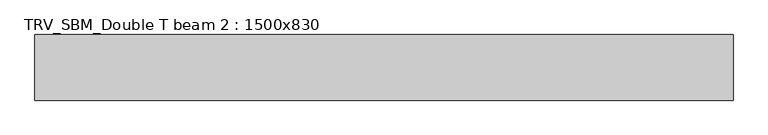
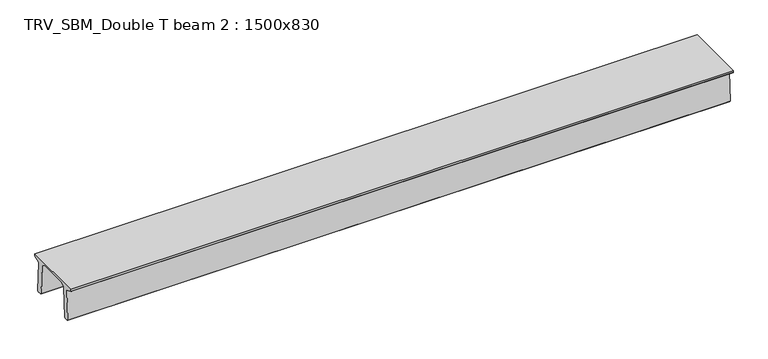
"""IFC4 building model written with IfcOpenShell, lengths in millimetres: beam geometry, TRV_SBM_Double T beam 2 : 1500x830."""

from ifc_helpers import new_model, si_unit, frame, origin, place, context, project, spatial, polyline, outline, extrude, source, transform, mapped, element, save


def trv_sbm_double_t_beam_2_1500x830_7132dd12(model_context):
    return source(origin(), model_context, "Body", "SweptSolid", [
        extrude(outline(polyline([(337.4555014, 470.0), (-343.4555014, 470.0), (-456.5828437, 409.8491251), (-494.786332, -340.5206011), (-514.2657308, -360.0), (-604.2657308, -360.0), (-624.8277662, -339.4379646), (-586.9373878, 401.9654693), (-752.8511046, 468.9989621), (-753.0, 475.0), (-753.0, 520.0), (747.0, 520.0), (747.0, 475.0), (746.8511046, 468.9989621), (580.9373878, 401.9654693), (618.8277662, -339.4379646), (598.2657308, -360.0), (508.2657308, -360.0), (488.786332, -340.5206011), (450.5828437, 409.8491251), (337.4555014, 470.0)])), frame((-7935.5, 0.0, 0.0), z_axis=(1.0, 0.0, 0.0), x_axis=(0.0, 1.0, 0.0)), (0.0, 0.0, 1.0), 15948.0),
    ])


if __name__ == "__main__":
    model = new_model("IFC4")
    model_context = context("Model", 3, world=origin())
    ifc_project = project(units=[si_unit("LENGTHUNIT", "METRE", prefix="MILLI")], contexts=[model_context])
    site = spatial("IfcSite", under=ifc_project)
    building = spatial("IfcBuilding", under=site)
    placement = place(None, origin())
    trv_sbm_double_t_beam_2_1500x830_shape = trv_sbm_double_t_beam_2_1500x830_7132dd12(model_context)
    element("IfcBeam", 1, ObjectType="TRV_SBM_Double T beam 2 : 1500x830", at=placement, inside=building, context=model_context, shape_type="MappedRepresentation", body=[
        mapped(trv_sbm_double_t_beam_2_1500x830_shape, transform((0.0, 0.0, 0.0), x_axis=(1.0, 0.0, 0.0), y_axis=(0.0, 1.0, 0.0), z_axis=(0.0, 0.0, 1.0))),
    ])
    save(model, "model.ifc")
